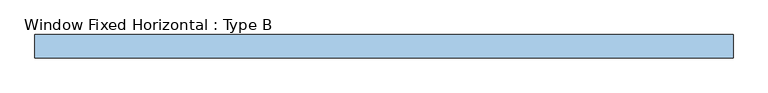
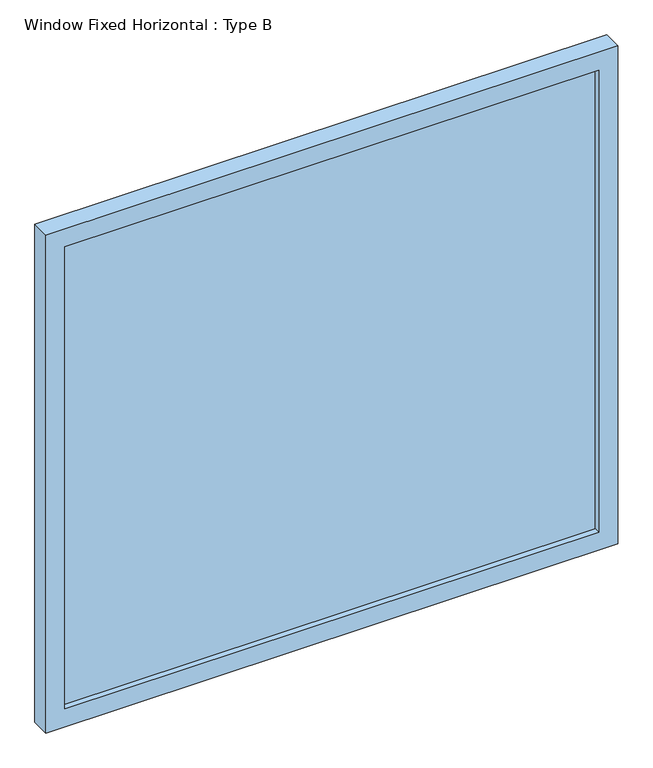
"""IFC4 building model written with IfcOpenShell, lengths in millimetres: window geometry, Window Fixed Horizontal : Type B."""

from ifc_helpers import new_model, si_unit, frame, origin, place, context, project, spatial, polyline, outline, extrude, source, transform, mapped, element, save


def window_fixed_horizontal_type_b_3d8067a9(model_context):
    return source(origin(), model_context, "Body", "SweptSolid", [
        extrude(outline(polyline([(711.2, -15.875), (711.2, -34.925), (-711.2, -34.925), (-711.2, -15.875), (711.2, -15.875)])), frame((0.0, 0.0, 882.65), z_axis=(0.0, 0.0, 1.0), x_axis=(1.0, 0.0, 0.0)), (0.0, 0.0, 1.0), 1301.75),
        extrude(outline(polyline([(2235.2, -762.0), (831.85, -762.0), (831.85, 762.0), (2235.2, 762.0), (2235.2, -762.0)]), holes=[polyline([(2184.4, 711.2), (882.65, 711.2), (882.65, -711.2), (2184.4, -711.2), (2184.4, 711.2)])]), frame((0.0, -50.8, 0.0), z_axis=(0.0, 1.0, 0.0), x_axis=(0.0, 0.0, 1.0)), (0.0, 0.0, 1.0), 50.8),
    ])


if __name__ == "__main__":
    model = new_model("IFC4")
    model_context = context("Model", 3, world=origin())
    ifc_project = project(units=[si_unit("LENGTHUNIT", "METRE", prefix="MILLI")], contexts=[model_context])
    site = spatial("IfcSite", under=ifc_project)
    building = spatial("IfcBuilding", under=site)
    placement = place(None, origin())
    window_fixed_horizontal_type_b_shape = window_fixed_horizontal_type_b_3d8067a9(model_context)
    element("IfcWindow", 1, ObjectType="Window Fixed Horizontal : Type B", at=placement, inside=building, context=model_context, shape_type="MappedRepresentation", body=[
        mapped(window_fixed_horizontal_type_b_shape, transform((0.0, 0.0, 0.0), x_axis=(1.0, 0.0, 0.0), y_axis=(0.0, 1.0, 0.0), z_axis=(0.0, 0.0, 1.0))),
    ])
    save(model, "model.ifc")
